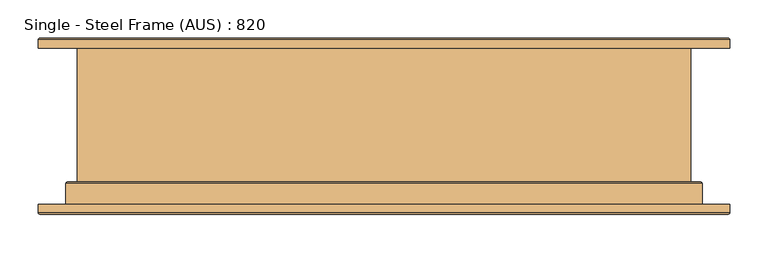
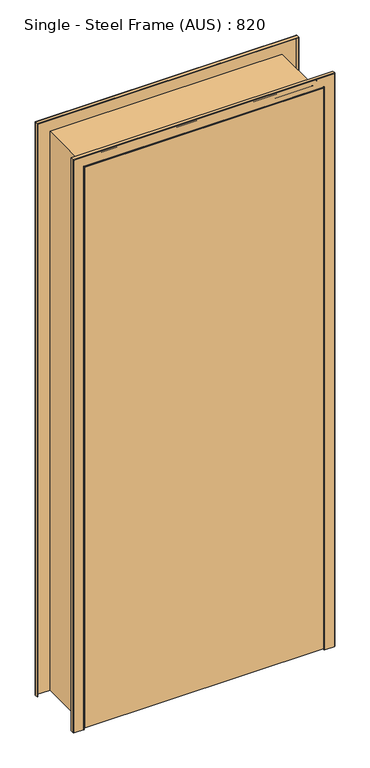
"""IFC4 building model written with IfcOpenShell, lengths in millimetres: door geometry, Single - Steel Frame (AUS) : 820."""

from ifc_helpers import new_model, si_unit, frame, origin, place, context, project, spatial, polyline, circle_curve, ellipse_curve, outline, extrude, source, transform, mapped, element, save
from ifc_brep_helpers import plane_surface, cylinder_surface, revolved_surface, advanced_brep


def single_steel_frame_aus_820_c4f470fb(model_context):
    return source(origin(), model_context, "Body", "SolidModel", [
        advanced_brep(
        [(-400.0, 115.0, 0.0), (-398.0, 113.0, 0.0), (-398.0, -73.0, 0.0), (-400.0, -75.0, 0.0), (-411.5857864, -75.0, 0.0), (-413.0, -76.4142136, 0.0), (-413.0, -113.0, 0.0), (-415.0, -115.0, 0.0), (-449.0, -115.0, 0.0), (-451.0, -113.0, 0.0), (-451.0, -102.0, 0.0), (-449.0, -102.0, 0.0), (-449.0, -113.0, 0.0), (-415.0, -113.0, 0.0), (-415.0, -75.0, 0.0), (-413.0, -73.0, 0.0), (-400.0, -73.0, 0.0), (-400.0, 113.0, 0.0), (-449.0, 113.0, 0.0), (-449.0, 102.0, 0.0), (-451.0, 102.0, 0.0), (-451.0, 113.0, 0.0), (-449.0, 115.0, 0.0), (-400.0, 115.0, 2035.0), (-398.0, 113.0, 2033.0), (-398.0, -73.0, 2033.0), (-400.0, -75.0, 2035.0), (400.0, -75.0, 2035.0), (400.0, -75.0, 0.0), (411.5857864, -75.0, 0.0), (411.5857864, -75.0, 2046.5857864), (-411.5857864, -75.0, 2046.5857864), (-413.0, -76.4142136, 2048.0), (-413.0, -113.0, 2048.0), (-415.0, -115.0, 2050.0), (415.0, -115.0, 2050.0), (415.0, -115.0, 0.0), (449.0, -115.0, 0.0), (449.0, -115.0, 2084.0), (-449.0, -115.0, 2084.0), (-451.0, -113.0, 2086.0), (-451.0, -102.0, 2086.0), (451.0, -102.0, 2086.0), (451.0, -102.0, 0.0), (449.0, -102.0, 0.0), (449.0, -102.0, 2084.0), (-449.0, -102.0, 2084.0), (-449.0, -113.0, 2084.0), (449.0, -113.0, 2084.0), (449.0, -113.0, 0.0), (415.0, -113.0, 0.0), (415.0, -113.0, 2050.0), (-415.0, -113.0, 2050.0), (-415.0, -75.0, 2050.0), (-413.0, -73.0, 2048.0), (413.0, -73.0, 2048.0), (413.0, -73.0, 0.0), (400.0, -73.0, 0.0), (400.0, -73.0, 2035.0), (-400.0, -73.0, 2035.0), (-400.0, 113.0, 2035.0), (400.0, 113.0, 2035.0), (400.0, 113.0, 0.0), (449.0, 113.0, 0.0), (449.0, 113.0, 2084.0), (-449.0, 113.0, 2084.0), (-449.0, 102.0, 2084.0), (449.0, 102.0, 2084.0), (449.0, 102.0, 0.0), (451.0, 102.0, 0.0), (451.0, 102.0, 2086.0), (-451.0, 102.0, 2086.0), (-451.0, 113.0, 2086.0), (-449.0, 115.0, 2084.0), (449.0, 115.0, 2084.0), (449.0, 115.0, 0.0), (400.0, 115.0, 0.0), (400.0, 115.0, 2035.0), (398.0, 113.0, 2033.0), (398.0, -73.0, 2033.0), (413.0, -76.4142136, 2048.0), (413.0, -113.0, 2048.0), (451.0, -113.0, 2086.0), (415.0, -75.0, 2050.0), (451.0, 113.0, 2086.0), (451.0, 113.0, 0.0), (415.0, -75.0, 0.0), (451.0, -113.0, 0.0), (413.0, -113.0, 0.0), (413.0, -76.4142136, 0.0), (398.0, -73.0, 0.0), (398.0, 113.0, 0.0)],
        [
            (0, 1, circle_curve(frame((-400.0, 113.0, 0.0), z_axis=(0.0, 0.0, -1.0), x_axis=(-1.0, 0.0, 0.0)), 2.0)),
            (1, 2),
            (2, 3, circle_curve(frame((-400.0, -73.0, 0.0), z_axis=(0.0, 0.0, -1.0), x_axis=(-1.0, 0.0, 0.0)), 2.0)),
            (3, 4),
            (4, 5, circle_curve(frame((-411.5857864, -76.4142136, 0.0), z_axis=(0.0, 0.0, 1.0), x_axis=(-1.0, 0.0, 0.0)), 1.4142136)),
            (5, 6),
            (6, 7, circle_curve(frame((-415.0, -113.0, 0.0), z_axis=(0.0, 0.0, -1.0), x_axis=(-1.0, 0.0, 0.0)), 2.0)),
            (7, 8),
            (8, 9, circle_curve(frame((-449.0, -113.0, 0.0), z_axis=(0.0, 0.0, -1.0), x_axis=(-1.0, 0.0, 0.0)), 2.0)),
            (9, 10),
            (10, 11),
            (11, 12),
            (12, 13),
            (13, 14),
            (14, 15, circle_curve(frame((-413.0, -75.0, 0.0), z_axis=(0.0, 0.0, -1.0), x_axis=(-1.0, 0.0, 0.0)), 2.0)),
            (15, 16),
            (16, 17),
            (17, 18),
            (18, 19),
            (19, 20),
            (20, 21),
            (21, 22, circle_curve(frame((-449.0, 113.0, 0.0), z_axis=(0.0, 0.0, -1.0), x_axis=(-1.0, 0.0, 0.0)), 2.0)),
            (22, 0),
            (0, 23),
            (23, 24, ellipse_curve(frame((-400.0, 113.0, 2035.0), z_axis=(-0.7071067811865475, 0.0, -0.7071067811865475), x_axis=(0.7071067811865474, 0.0, -0.7071067811865476)), 2.8284271, 2.0)),
            (24, 1),
            (24, 25),
            (25, 2),
            (25, 26, ellipse_curve(frame((-400.0, -73.0, 2035.0), z_axis=(-0.7071067811865475, 0.0, -0.7071067811865475), x_axis=(0.7071067811865474, 0.0, -0.7071067811865476)), 2.8284271, 2.0)),
            (26, 3),
            (26, 27),
            (27, 28),
            (28, 29),
            (29, 30),
            (30, 31),
            (31, 4),
            (31, 32, ellipse_curve(frame((-411.5857864, -76.4142136, 2046.5857864), z_axis=(0.7071067811865475, 0.0, 0.7071067811865475), x_axis=(-0.7071067811865474, 0.0, 0.7071067811865476)), 2.0, 1.4142136)),
            (32, 5),
            (32, 33),
            (33, 6),
            (33, 34, ellipse_curve(frame((-415.0, -113.0, 2050.0), z_axis=(-0.7071067811865475, 0.0, -0.7071067811865475), x_axis=(0.7071067811865474, 0.0, -0.7071067811865476)), 2.8284271, 2.0)),
            (34, 7),
            (34, 35),
            (35, 36),
            (36, 37),
            (37, 38),
            (38, 39),
            (39, 8),
            (39, 40, ellipse_curve(frame((-449.0, -113.0, 2084.0), z_axis=(-0.7071067811865475, 0.0, -0.7071067811865475), x_axis=(0.7071067811865474, 0.0, -0.7071067811865476)), 2.8284271, 2.0)),
            (40, 9),
            (40, 41),
            (41, 10),
            (41, 42),
            (42, 43),
            (43, 44),
            (44, 45),
            (45, 46),
            (46, 11),
            (46, 47),
            (47, 12),
            (47, 48),
            (48, 49),
            (49, 50),
            (50, 51),
            (51, 52),
            (52, 13),
            (52, 53),
            (53, 14),
            (53, 54, ellipse_curve(frame((-413.0, -75.0, 2048.0), z_axis=(-0.7071067811865475, 0.0, -0.7071067811865475), x_axis=(0.7071067811865474, 0.0, -0.7071067811865476)), 2.8284271, 2.0)),
            (54, 15),
            (54, 55),
            (55, 56),
            (56, 57),
            (57, 58),
            (58, 59),
            (59, 16),
            (59, 60),
            (60, 17),
            (60, 61),
            (61, 62),
            (62, 63),
            (63, 64),
            (64, 65),
            (65, 18),
            (65, 66),
            (66, 19),
            (66, 67),
            (67, 68),
            (68, 69),
            (69, 70),
            (70, 71),
            (71, 20),
            (71, 72),
            (72, 21),
            (72, 73, ellipse_curve(frame((-449.0, 113.0, 2084.0), z_axis=(-0.7071067811865475, 0.0, -0.7071067811865475), x_axis=(0.7071067811865474, 0.0, -0.7071067811865476)), 2.8284271, 2.0)),
            (73, 22),
            (73, 74),
            (74, 75),
            (75, 76),
            (76, 77),
            (77, 23),
            (77, 78, ellipse_curve(frame((400.0, 113.0, 2035.0), z_axis=(-0.7071067811865475, 0.0, 0.7071067811865475), x_axis=(-0.7071067811865476, 0.0, -0.7071067811865474)), 2.8284271, 2.0)),
            (78, 24),
            (78, 79),
            (79, 25),
            (79, 27, ellipse_curve(frame((400.0, -73.0, 2035.0), z_axis=(-0.7071067811865475, 0.0, 0.7071067811865475), x_axis=(-0.7071067811865476, 0.0, -0.7071067811865474)), 2.8284271, 2.0)),
            (30, 80, ellipse_curve(frame((411.5857864, -76.4142136, 2046.5857864), z_axis=(0.7071067811865475, 0.0, -0.7071067811865475), x_axis=(0.7071067811865476, 0.0, 0.7071067811865474)), 2.0, 1.4142136)),
            (80, 32),
            (80, 81),
            (81, 33),
            (81, 35, ellipse_curve(frame((415.0, -113.0, 2050.0), z_axis=(-0.7071067811865475, 0.0, 0.7071067811865475), x_axis=(-0.7071067811865476, 0.0, -0.7071067811865474)), 2.8284271, 2.0)),
            (38, 82, ellipse_curve(frame((449.0, -113.0, 2084.0), z_axis=(-0.7071067811865475, 0.0, 0.7071067811865475), x_axis=(-0.7071067811865476, 0.0, -0.7071067811865474)), 2.8284271, 2.0)),
            (82, 40),
            (82, 42),
            (45, 48),
            (51, 83),
            (83, 53),
            (83, 55, ellipse_curve(frame((413.0, -75.0, 2048.0), z_axis=(-0.7071067811865475, 0.0, 0.7071067811865475), x_axis=(-0.7071067811865476, 0.0, -0.7071067811865474)), 2.8284271, 2.0)),
            (58, 61),
            (64, 67),
            (70, 84),
            (84, 72),
            (84, 74, ellipse_curve(frame((449.0, 113.0, 2084.0), z_axis=(-0.7071067811865475, 0.0, 0.7071067811865475), x_axis=(-0.7071067811865476, 0.0, -0.7071067811865474)), 2.8284271, 2.0)),
            (75, 85, circle_curve(frame((449.0, 113.0, 0.0), z_axis=(0.0, 0.0, -1.0), x_axis=(1.0, 0.0, 0.0)), 2.0)),
            (85, 69),
            (68, 63),
            (62, 57),
            (56, 86, circle_curve(frame((413.0, -75.0, 0.0), z_axis=(0.0, 0.0, -1.0), x_axis=(1.0, 0.0, 0.0)), 2.0)),
            (86, 50),
            (49, 44),
            (43, 87),
            (87, 37, circle_curve(frame((449.0, -113.0, 0.0), z_axis=(0.0, 0.0, -1.0), x_axis=(1.0, 0.0, 0.0)), 2.0)),
            (36, 88, circle_curve(frame((415.0, -113.0, 0.0), z_axis=(0.0, 0.0, -1.0), x_axis=(1.0, 0.0, 0.0)), 2.0)),
            (88, 89),
            (89, 29, circle_curve(frame((411.5857864, -76.4142136, 0.0), z_axis=(0.0, 0.0, 1.0), x_axis=(1.0, 0.0, 0.0)), 1.4142136)),
            (28, 90, circle_curve(frame((400.0, -73.0, 0.0), z_axis=(0.0, 0.0, -1.0), x_axis=(1.0, 0.0, 0.0)), 2.0)),
            (90, 91),
            (91, 76, circle_curve(frame((400.0, 113.0, 0.0), z_axis=(0.0, 0.0, -1.0), x_axis=(1.0, 0.0, 0.0)), 2.0)),
            (91, 78),
            (90, 79),
            (89, 80),
            (88, 81),
            (87, 82),
            (86, 83),
            (85, 84),
        ],
        [
            plane_surface(frame((-451.0, -100.0, 0.0), z_axis=(0.0, 0.0, -1.0), x_axis=(0.0, -1.0, 0.0))),
            cylinder_surface(frame((-400.0, 113.0, 0.0), z_axis=(0.0, 0.0, -1.0), x_axis=(-1.0, 0.0, 0.0)), 2.0),
            plane_surface(frame((-398.0, 113.0, 0.0), z_axis=(1.0, 0.0, 0.0), x_axis=(0.0, 0.0, 1.0))),
            cylinder_surface(frame((-400.0, -73.0, 0.0), z_axis=(0.0, 0.0, -1.0), x_axis=(-1.0, 0.0, 0.0)), 2.0),
            plane_surface(frame((-400.0, -75.0, 0.0), z_axis=(0.0, -1.0, 0.0), x_axis=(0.0, 0.0, 1.0))),
            revolved_surface(polyline([(-413.0, -76.4142136, 2048.0), (-413.0, -76.4142136, 0.0)]), (-411.5857864, -76.4142136, 0.0), (0.0, 0.0, 1.0)),
            plane_surface(frame((-413.0, -76.4142136, 0.0), z_axis=(1.0, 0.0, 0.0), x_axis=(0.0, 0.0, 1.0))),
            cylinder_surface(frame((-415.0, -113.0, 0.0), z_axis=(0.0, 0.0, -1.0), x_axis=(-1.0, 0.0, 0.0)), 2.0),
            plane_surface(frame((-415.0, -115.0, 0.0), z_axis=(0.0, -1.0, 0.0), x_axis=(0.0, 0.0, 1.0))),
            cylinder_surface(frame((-449.0, -113.0, 0.0), z_axis=(0.0, 0.0, -1.0), x_axis=(-1.0, 0.0, 0.0)), 2.0),
            plane_surface(frame((-451.0, -113.0, 0.0), z_axis=(-1.0, 0.0, 0.0), x_axis=(0.0, 0.0, 1.0))),
            plane_surface(frame((-451.0, -102.0, 0.0), z_axis=(0.0, 1.0, 0.0), x_axis=(0.0, 0.0, 1.0))),
            plane_surface(frame((-449.0, -102.0, 0.0), z_axis=(1.0, 0.0, 0.0), x_axis=(0.0, 0.0, 1.0))),
            plane_surface(frame((-449.0, -113.0, 0.0), z_axis=(0.0, 1.0, 0.0), x_axis=(0.0, 0.0, 1.0))),
            plane_surface(frame((-415.0, -113.0, 0.0), z_axis=(-1.0, 0.0, 0.0), x_axis=(0.0, 0.0, 1.0))),
            cylinder_surface(frame((-413.0, -75.0, 0.0), z_axis=(0.0, 0.0, -1.0), x_axis=(-1.0, 0.0, 0.0)), 2.0),
            plane_surface(frame((-413.0, -73.0, 0.0), z_axis=(0.0, 1.0, 0.0), x_axis=(0.0, 0.0, 1.0))),
            plane_surface(frame((-400.0, -73.0, 0.0), z_axis=(-1.0, 0.0, 0.0), x_axis=(0.0, 0.0, 1.0))),
            plane_surface(frame((-400.0, 113.0, 0.0), z_axis=(0.0, -1.0, 0.0), x_axis=(0.0, 0.0, 1.0))),
            plane_surface(frame((-449.0, 113.0, 0.0), z_axis=(1.0, 0.0, 0.0), x_axis=(0.0, 0.0, 1.0))),
            plane_surface(frame((-449.0, 102.0, 0.0), z_axis=(0.0, -1.0, 0.0), x_axis=(0.0, 0.0, 1.0))),
            plane_surface(frame((-451.0, 102.0, 0.0), z_axis=(-1.0, 0.0, 0.0), x_axis=(0.0, 0.0, 1.0))),
            cylinder_surface(frame((-449.0, 113.0, 0.0), z_axis=(0.0, 0.0, -1.0), x_axis=(-1.0, 0.0, 0.0)), 2.0),
            plane_surface(frame((-449.0, 115.0, 0.0), z_axis=(0.0, 1.0, 0.0), x_axis=(0.0, 0.0, 1.0))),
            cylinder_surface(frame((-451.0, 113.0, 2035.0), z_axis=(-1.0, 0.0, 0.0), x_axis=(0.0, 0.0, 1.0)), 2.0),
            plane_surface(frame((-398.0, 113.0, 2033.0), z_axis=(0.0, 0.0, -1.0), x_axis=(1.0, 0.0, 0.0))),
            cylinder_surface(frame((-451.0, -73.0, 2035.0), z_axis=(-1.0, 0.0, 0.0), x_axis=(0.0, 0.0, 1.0)), 2.0),
            revolved_surface(polyline([(413.0, -76.4142136, 2048.0), (-413.0, -76.4142136, 2048.0)]), (-451.0, -76.4142136, 2046.5857864), (1.0, 0.0, 0.0)),
            plane_surface(frame((-413.0, -76.4142136, 2048.0), z_axis=(0.0, 0.0, -1.0), x_axis=(1.0, 0.0, 0.0))),
            cylinder_surface(frame((-451.0, -113.0, 2050.0), z_axis=(-1.0, 0.0, 0.0), x_axis=(0.0, 0.0, 1.0)), 2.0),
            cylinder_surface(frame((-451.0, -113.0, 2084.0), z_axis=(-1.0, 0.0, 0.0), x_axis=(0.0, 0.0, 1.0)), 2.0),
            plane_surface(frame((-451.0, -113.0, 2086.0), z_axis=(0.0, 0.0, 1.0), x_axis=(1.0, 0.0, 0.0))),
            plane_surface(frame((-449.0, -102.0, 2084.0), z_axis=(0.0, 0.0, -1.0), x_axis=(1.0, 0.0, 0.0))),
            plane_surface(frame((-415.0, -113.0, 2050.0), z_axis=(0.0, 0.0, 1.0), x_axis=(1.0, 0.0, 0.0))),
            cylinder_surface(frame((-451.0, -75.0, 2048.0), z_axis=(-1.0, 0.0, 0.0), x_axis=(0.0, 0.0, 1.0)), 2.0),
            plane_surface(frame((-400.0, -73.0, 2035.0), z_axis=(0.0, 0.0, 1.0), x_axis=(1.0, 0.0, 0.0))),
            plane_surface(frame((-449.0, 113.0, 2084.0), z_axis=(0.0, 0.0, -1.0), x_axis=(1.0, 0.0, 0.0))),
            plane_surface(frame((-451.0, 102.0, 2086.0), z_axis=(0.0, 0.0, 1.0), x_axis=(1.0, 0.0, 0.0))),
            cylinder_surface(frame((-451.0, 113.0, 2084.0), z_axis=(-1.0, 0.0, 0.0), x_axis=(0.0, 0.0, 1.0)), 2.0),
            plane_surface(frame((451.0, -100.0, 0.0), z_axis=(0.0, 0.0, -1.0), x_axis=(0.0, -1.0, 0.0))),
            cylinder_surface(frame((400.0, 113.0, 2086.0), z_axis=(0.0, 0.0, 1.0), x_axis=(1.0, 0.0, 0.0)), 2.0),
            plane_surface(frame((398.0, 113.0, 2033.0), z_axis=(-1.0, 0.0, 0.0), x_axis=(0.0, 0.0, -1.0))),
            cylinder_surface(frame((400.0, -73.0, 2086.0), z_axis=(0.0, 0.0, 1.0), x_axis=(1.0, 0.0, 0.0)), 2.0),
            revolved_surface(polyline([(413.0, -76.4142136, 0.0), (413.0, -76.4142136, 2048.0)]), (411.5857864, -76.4142136, 2086.0), (0.0, 0.0, -1.0)),
            plane_surface(frame((413.0, -76.4142136, 2048.0), z_axis=(-1.0, 0.0, 0.0), x_axis=(0.0, 0.0, -1.0))),
            cylinder_surface(frame((415.0, -113.0, 2086.0), z_axis=(0.0, 0.0, 1.0), x_axis=(1.0, 0.0, 0.0)), 2.0),
            cylinder_surface(frame((449.0, -113.0, 2086.0), z_axis=(0.0, 0.0, 1.0), x_axis=(1.0, 0.0, 0.0)), 2.0),
            plane_surface(frame((451.0, -113.0, 2086.0), z_axis=(1.0, 0.0, 0.0), x_axis=(0.0, 0.0, -1.0))),
            plane_surface(frame((449.0, -102.0, 2084.0), z_axis=(-1.0, 0.0, 0.0), x_axis=(0.0, 0.0, -1.0))),
            plane_surface(frame((415.0, -113.0, 2050.0), z_axis=(1.0, 0.0, 0.0), x_axis=(0.0, 0.0, -1.0))),
            cylinder_surface(frame((413.0, -75.0, 2086.0), z_axis=(0.0, 0.0, 1.0), x_axis=(1.0, 0.0, 0.0)), 2.0),
            plane_surface(frame((400.0, -73.0, 2035.0), z_axis=(1.0, 0.0, 0.0), x_axis=(0.0, 0.0, -1.0))),
            plane_surface(frame((449.0, 113.0, 2084.0), z_axis=(-1.0, 0.0, 0.0), x_axis=(0.0, 0.0, -1.0))),
            plane_surface(frame((451.0, 102.0, 2086.0), z_axis=(1.0, 0.0, 0.0), x_axis=(0.0, 0.0, -1.0))),
            cylinder_surface(frame((449.0, 113.0, 2086.0), z_axis=(0.0, 0.0, 1.0), x_axis=(1.0, 0.0, 0.0)), 2.0),
        ],
        [
            (0, [[1, 2, 3, 4, 5, 6, 7, 8, 9, 10, 11, 12, 13, 14, 15, 16, 17, 18, 19, 20, 21, 22, 23]]),
            (1, [[-1, 24, 25, 26]]),
            (2, [[-2, -26, 27, 28]]),
            (3, [[-3, -28, 29, 30]]),
            (4, [[-4, -30, 31, 32, 33, 34, 35, 36]]),
            (5, [[-5, -36, 37, 38]]),
            (6, [[-6, -38, 39, 40]]),
            (7, [[-7, -40, 41, 42]]),
            (8, [[-8, -42, 43, 44, 45, 46, 47, 48]]),
            (9, [[-9, -48, 49, 50]]),
            (10, [[-10, -50, 51, 52]]),
            (11, [[-11, -52, 53, 54, 55, 56, 57, 58]]),
            (12, [[-12, -58, 59, 60]]),
            (13, [[-13, -60, 61, 62, 63, 64, 65, 66]]),
            (14, [[-14, -66, 67, 68]]),
            (15, [[-15, -68, 69, 70]]),
            (16, [[-16, -70, 71, 72, 73, 74, 75, 76]]),
            (17, [[-17, -76, 77, 78]]),
            (18, [[-18, -78, 79, 80, 81, 82, 83, 84]]),
            (19, [[-19, -84, 85, 86]]),
            (20, [[-20, -86, 87, 88, 89, 90, 91, 92]]),
            (21, [[-21, -92, 93, 94]]),
            (22, [[-22, -94, 95, 96]]),
            (23, [[-23, -96, 97, 98, 99, 100, 101, -24]]),
            (24, [[-25, -101, 102, 103]]),
            (25, [[-27, -103, 104, 105]]),
            (26, [[-29, -105, 106, -31]]),
            (27, [[-37, -35, 107, 108]]),
            (28, [[-39, -108, 109, 110]]),
            (29, [[-41, -110, 111, -43]]),
            (30, [[-49, -47, 112, 113]]),
            (31, [[-51, -113, 114, -53]]),
            (32, [[-59, -57, 115, -61]]),
            (33, [[-67, -65, 116, 117]]),
            (34, [[-69, -117, 118, -71]]),
            (35, [[-77, -75, 119, -79]]),
            (36, [[-85, -83, 120, -87]]),
            (37, [[-93, -91, 121, 122]]),
            (38, [[-95, -122, 123, -97]]),
            (39, [[-99, 124, 125, -89, 126, -81, 127, -73, 128, 129, -63, 130, -55, 131, 132, -45, 133, 134, 135, -33, 136, 137, 138]]),
            (40, [[-102, -100, -138, 139]]),
            (41, [[-104, -139, -137, 140]]),
            (42, [[-106, -140, -136, -32]]),
            (43, [[-107, -34, -135, 141]]),
            (44, [[-109, -141, -134, 142]]),
            (45, [[-111, -142, -133, -44]]),
            (46, [[-112, -46, -132, 143]]),
            (47, [[-114, -143, -131, -54]]),
            (48, [[-115, -56, -130, -62]]),
            (49, [[-116, -64, -129, 144]]),
            (50, [[-118, -144, -128, -72]]),
            (51, [[-119, -74, -127, -80]]),
            (52, [[-120, -82, -126, -88]]),
            (53, [[-121, -90, -125, 145]]),
            (54, [[-123, -145, -124, -98]]),
        ],
    ),
        extrude(outline(polyline([(410.0, -115.0), (-410.0, -115.0), (-410.0, -77.0), (410.0, -77.0), (410.0, -115.0)])), frame((0.0, 0.0, 5.0), z_axis=(0.0, 0.0, 1.0), x_axis=(1.0, 0.0, 0.0)), (0.0, 0.0, 1.0), 2040.0),
    ])


if __name__ == "__main__":
    model = new_model("IFC4")
    model_context = context("Model", 3, world=origin())
    ifc_project = project(units=[si_unit("LENGTHUNIT", "METRE", prefix="MILLI")], contexts=[model_context])
    site = spatial("IfcSite", under=ifc_project)
    building = spatial("IfcBuilding", under=site)
    placement = place(None, origin())
    single_steel_frame_aus_820_shape = single_steel_frame_aus_820_c4f470fb(model_context)
    element("IfcDoor", 1, ObjectType="Single - Steel Frame (AUS) : 820", at=placement, inside=building, context=model_context, shape_type="MappedRepresentation", body=[
        mapped(single_steel_frame_aus_820_shape, transform((0.0, 0.0, 0.0), x_axis=(1.0, 0.0, 0.0), y_axis=(0.0, 1.0, 0.0), z_axis=(0.0, 0.0, 1.0))),
    ])
    save(model, "model.ifc")
